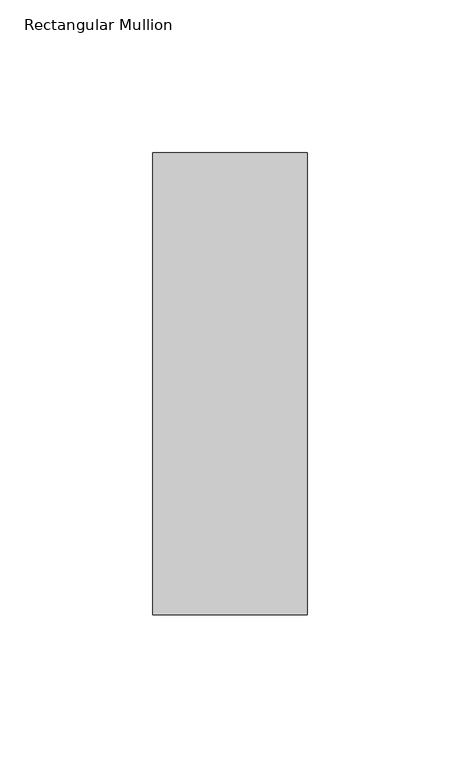
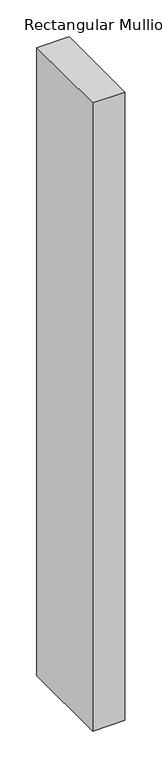
"""IFC4 building model written with IfcOpenShell, lengths in millimetres: member geometry, Rectangular Mullion."""

from ifc_helpers import new_model, si_unit, frame, origin, place, context, project, spatial, polyline, outline, extrude, source, transform, mapped, element, save


def rectangular_mullion_ca3c6540(model_context):
    return source(origin(), model_context, "Body", "SweptSolid", [
        extrude(outline(polyline([(-25.4, 25.796875), (25.4, 25.796875), (25.4, -125.809375), (-25.4, -125.809375), (-25.4, 25.796875)])), frame((0.0, 0.0, -1042.56492), z_axis=(0.0, 0.0, 1.0), x_axis=(1.0, 0.0, 0.0)), (0.0, 0.0, 1.0), 1042.56492),
    ])


if __name__ == "__main__":
    model = new_model("IFC4")
    model_context = context("Model", 3, world=origin())
    ifc_project = project(units=[si_unit("LENGTHUNIT", "METRE", prefix="MILLI")], contexts=[model_context])
    site = spatial("IfcSite", under=ifc_project)
    building = spatial("IfcBuilding", under=site)
    placement = place(None, origin())
    rectangular_mullion_shape = rectangular_mullion_ca3c6540(model_context)
    element("IfcMember", 1, ObjectType="Rectangular Mullion", at=placement, inside=building, context=model_context, shape_type="MappedRepresentation", body=[
        mapped(rectangular_mullion_shape, transform((0.0, 0.0, 0.0), x_axis=(1.0, 0.0, 0.0), y_axis=(0.0, 1.0, 0.0), z_axis=(0.0, 0.0, 1.0))),
    ])
    save(model, "model.ifc")
